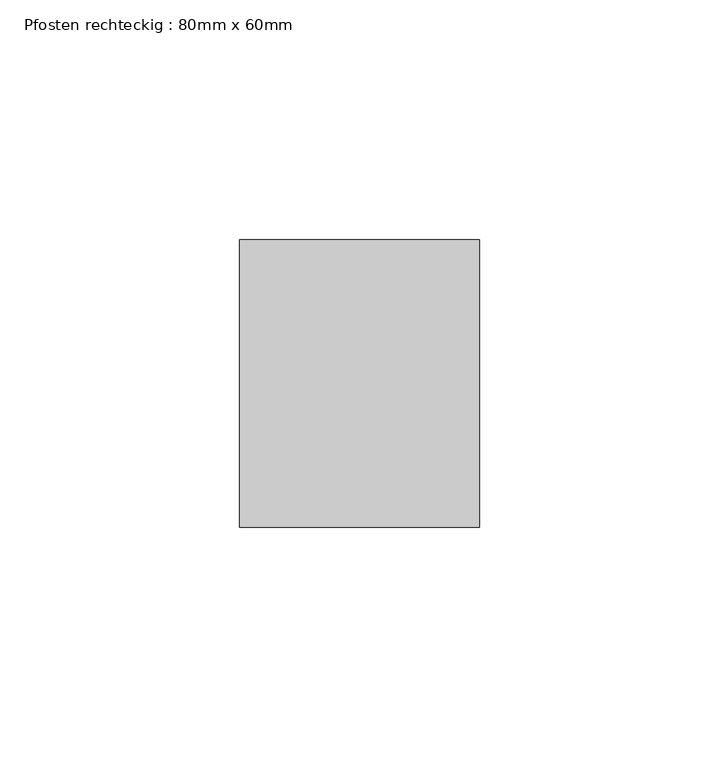
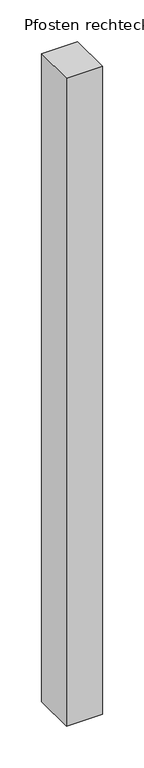
"""IFC4 building model written with IfcOpenShell, lengths in millimetres: member geometry, Pfosten rechteckig : 80mm x 60mm."""

from ifc_helpers import new_model, si_unit, frame, origin, place, context, project, spatial, polyline, outline, extrude, source, transform, mapped, element, save


def pfosten_rechteckig_80mm_x_60mm_72f697ee(model_context):
    return source(origin(), model_context, "Body", "SweptSolid", [
        extrude(outline(polyline([(0.0, 30.0), (0.0, -30.0), (-50.0, -30.0), (-50.0, 30.0), (0.0, 30.0)])), frame((0.0, 0.0, -950.0), z_axis=(0.0, 0.0, 1.0), x_axis=(1.0, 0.0, 0.0)), (0.0, 0.0, 1.0), 950.0),
    ])


if __name__ == "__main__":
    model = new_model("IFC4")
    model_context = context("Model", 3, world=origin())
    ifc_project = project(units=[si_unit("LENGTHUNIT", "METRE", prefix="MILLI")], contexts=[model_context])
    site = spatial("IfcSite", under=ifc_project)
    building = spatial("IfcBuilding", under=site)
    placement = place(None, origin())
    pfosten_rechteckig_80mm_x_60mm_shape = pfosten_rechteckig_80mm_x_60mm_72f697ee(model_context)
    element("IfcMember", 1, ObjectType="Pfosten rechteckig : 80mm x 60mm", at=placement, inside=building, context=model_context, shape_type="MappedRepresentation", body=[
        mapped(pfosten_rechteckig_80mm_x_60mm_shape, transform((0.0, 0.0, 0.0), x_axis=(1.0, 0.0, 0.0), y_axis=(0.0, 1.0, 0.0), z_axis=(0.0, 0.0, 1.0))),
    ])
    save(model, "model.ifc")
